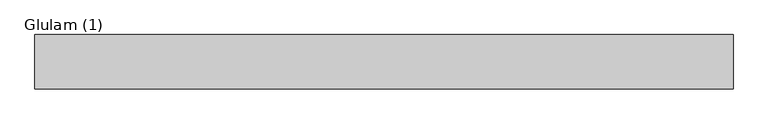
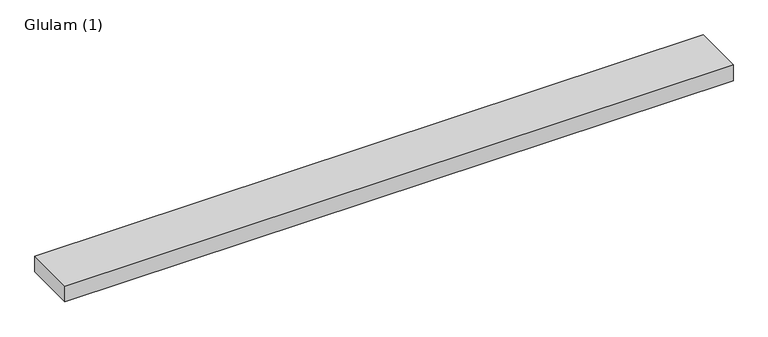
"""IFC4 building model written with IfcOpenShell, lengths in millimetres: beam geometry, Glulam (1)."""

from ifc_helpers import new_model, si_unit, frame, origin, place, context, project, spatial, polyline, outline, extrude, source, transform, mapped, element, save


def glulam_1_2d1014c5(model_context):
    return source(origin(), model_context, "Body", "SweptSolid", [
        extrude(outline(polyline([(985.0, 70.0), (985.0, -70.0), (-810.0, -70.0), (-810.0, 70.0), (985.0, 70.0)])), frame((0.0, 0.0, -22.5), z_axis=(0.0, 0.0, 1.0), x_axis=(1.0, 0.0, 0.0)), (0.0, 0.0, 1.0), 45.0),
    ])


if __name__ == "__main__":
    model = new_model("IFC4")
    model_context = context("Model", 3, world=origin())
    ifc_project = project(units=[si_unit("LENGTHUNIT", "METRE", prefix="MILLI")], contexts=[model_context])
    site = spatial("IfcSite", under=ifc_project)
    building = spatial("IfcBuilding", under=site)
    placement = place(None, origin())
    glulam_1_shape = glulam_1_2d1014c5(model_context)
    element("IfcBeam", 1, ObjectType="Glulam (1)", at=placement, inside=building, context=model_context, shape_type="MappedRepresentation", body=[
        mapped(glulam_1_shape, transform((0.0, 0.0, 0.0), x_axis=(1.0, 0.0, 0.0), y_axis=(0.0, 1.0, 0.0), z_axis=(0.0, 0.0, 1.0))),
    ])
    save(model, "model.ifc")
